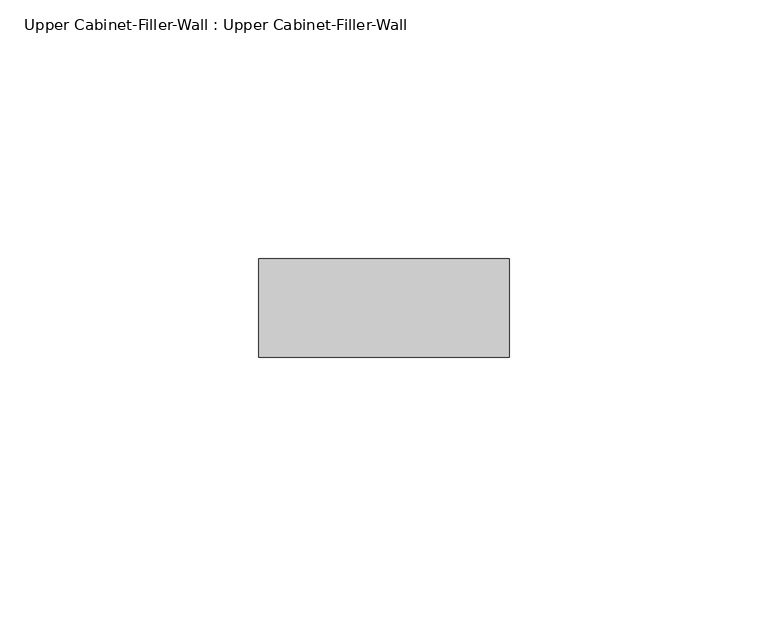
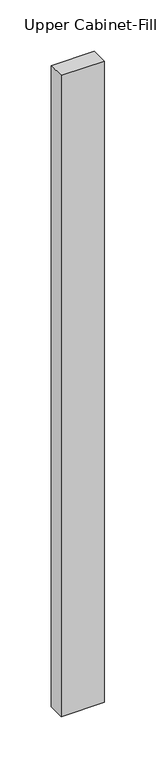
"""IFC4 building model written with IfcOpenShell, lengths in millimetres: furniture geometry, Upper Cabinet-Filler-Wall : Upper Cabinet-Filler-Wall."""

from ifc_helpers import new_model, si_unit, frame, origin, place, context, project, spatial, polyline, outline, extrude, source, transform, mapped, element, save


def upper_cabinet_filler_wall_upper_cabinet_filler_wall_64baea29(model_context):
    return source(origin(), model_context, "Body", "SweptSolid", [
        extrude(outline(polyline([(5.5393855, 339.725), (5.5393855, 358.775), (54.00294, 358.775), (54.00294, 339.725), (5.5393855, 339.725)])), frame((0.0, 0.0, 1371.6), z_axis=(0.0, 0.0, 1.0), x_axis=(1.0, 0.0, 0.0)), (0.0, 0.0, 1.0), 762.0),
    ])


if __name__ == "__main__":
    model = new_model("IFC4")
    model_context = context("Model", 3, world=origin())
    ifc_project = project(units=[si_unit("LENGTHUNIT", "METRE", prefix="MILLI")], contexts=[model_context])
    site = spatial("IfcSite", under=ifc_project)
    building = spatial("IfcBuilding", under=site)
    placement = place(None, origin())
    upper_cabinet_filler_wall_upper_cabinet_filler_wall_shape = upper_cabinet_filler_wall_upper_cabinet_filler_wall_64baea29(model_context)
    element("IfcFurniture", 1, ObjectType="Upper Cabinet-Filler-Wall : Upper Cabinet-Filler-Wall", at=placement, inside=building, context=model_context, shape_type="MappedRepresentation", body=[
        mapped(upper_cabinet_filler_wall_upper_cabinet_filler_wall_shape, transform((0.0, 0.0, 0.0), x_axis=(1.0, 0.0, 0.0), y_axis=(0.0, 1.0, 0.0), z_axis=(0.0, 0.0, 1.0))),
    ])
    save(model, "model.ifc")
